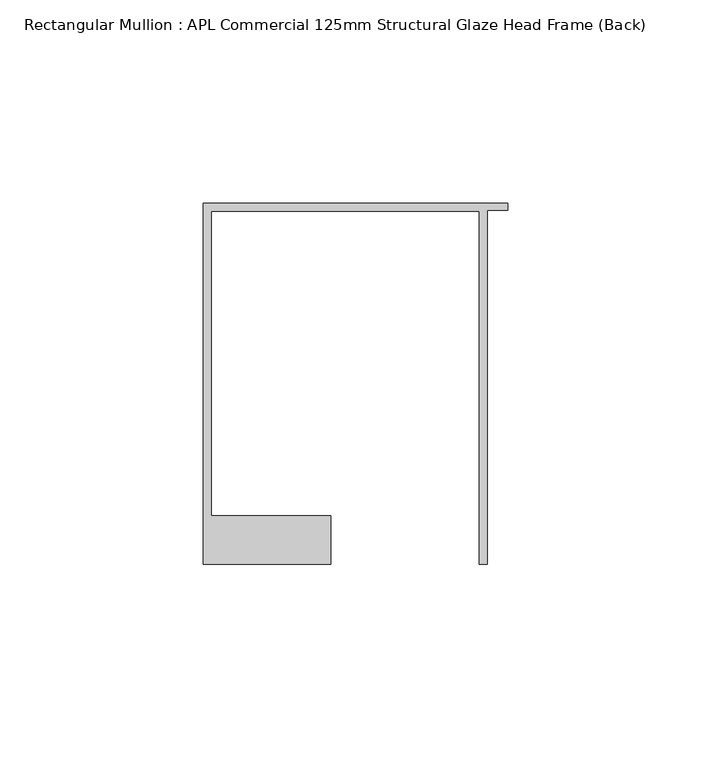
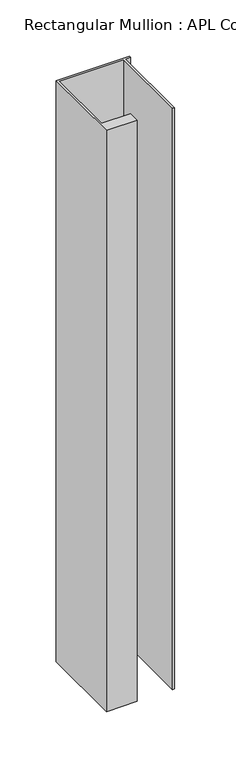
"""IFC4 building model written with IfcOpenShell, lengths in millimetres: member geometry, Rectangular Mullion : APL Commercial 125mm Structural Glaze Head Frame (Back)."""

import ifcopenshell
import ifcopenshell.guid

model = None  # the IFC model being written
_history = None  # IfcOwnerHistory: only IFC2X3 demands one
_inside = {}  # id of a spatial element -> (the spatial element, [elements in it])
_under = {}  # id of a project, library or spatial element -> (it, [spatial elements below it])
_declared = {}  # id of a project -> (the project, [libraries it declares])
_typed = {}  # id of a type object -> (the type object, [elements of that type])
_made_of = {}  # id of a material, layer set ... -> (it, [elements and type objects made of it])


def new_model(schema):
    """Start an empty IFC model of exactly this schema.

    Asked for "IFC4X3", IfcOpenShell would pick the latest addendum, in which some entities
    have other attributes; the version numbers below select the first issue.
    IFC2X3 requires an IfcOwnerHistory on every rooted entity: one is made here for all.
    """
    global model, _history
    if schema == "IFC4X3":
        model = ifcopenshell.file(schema_version=(4, 3, 0, 0))
    else:
        model = ifcopenshell.file(schema=schema)
    _inside.clear()
    _under.clear()
    _declared.clear()
    _typed.clear()
    _made_of.clear()
    _history = None
    if model.schema == "IFC2X3":
        org = make("IfcOrganization", Name="unknown")
        user = make(
            "IfcPersonAndOrganization",
            ThePerson=make("IfcPerson", FamilyName="unknown"),
            TheOrganization=org,
        )
        app = make(
            "IfcApplication",
            ApplicationDeveloper=org,
            Version="unknown",
            ApplicationFullName="unknown",
            ApplicationIdentifier="unknown",
        )
        _history = make(
            "IfcOwnerHistory",
            OwningUser=user,
            OwningApplication=app,
            ChangeAction="ADDED",
            CreationDate=0,
        )
    return model


def make(cls, **values):
    """One entity of the class cls with the attributes given. An attribute that is None is left unset."""
    return model.create_entity(
        cls, **{name: value for name, value in values.items() if value is not None}
    )


def rooted(cls, **values):
    """An entity with a GlobalId (a new one), such as an element, a storey or a relation."""
    return make(cls, GlobalId=ifcopenshell.guid.new(), OwnerHistory=_history, **values)


def si_unit(unit_type, name, prefix=None):
    """IfcSIUnit, for example si_unit("LENGTHUNIT", "METRE", prefix="MILLI")."""
    return make("IfcSIUnit", UnitType=unit_type, Prefix=prefix, Name=name)


def assignment(units):
    """IfcUnitAssignment: the units of a project."""
    return None if units is None else make("IfcUnitAssignment", Units=units)


def point(xyz):
    """IfcCartesianPoint."""
    return None if xyz is None else make("IfcCartesianPoint", Coordinates=xyz)


def direction(xyz):
    """IfcDirection."""
    return None if xyz is None else make("IfcDirection", DirectionRatios=xyz)


def frame(location, z_axis=None, x_axis=None):
    """IfcAxis2Placement3D, a coordinate frame: its origin and axes. An axis left out is left unset."""
    return make(
        "IfcAxis2Placement3D",
        Location=point(location),
        Axis=direction(z_axis),
        RefDirection=direction(x_axis),
    )


def origin():
    """The frame at (0, 0, 0) with its axes left unset."""
    return frame((0.0, 0.0, 0.0))


def place(relative_to, where):
    """IfcLocalPlacement: puts the frame where relative to a parent placement (None: the world)."""
    return make(
        "IfcLocalPlacement", PlacementRelTo=relative_to, RelativePlacement=where
    )


def context(
    kind, dimensions, precision=None, world=None, true_north=None, identifier=None
):
    """IfcGeometricRepresentationContext, for example the 3D "Model" context."""
    return make(
        "IfcGeometricRepresentationContext",
        ContextIdentifier=identifier,
        ContextType=kind,
        CoordinateSpaceDimension=dimensions,
        Precision=precision,
        WorldCoordinateSystem=world,
        TrueNorth=true_north,
    )


def project(units=None, contexts=None):
    """IfcProject with its units and contexts."""
    return rooted(
        "IfcProject",
        Name="project",
        RepresentationContexts=contexts,
        UnitsInContext=assignment(units),
    )


def spatial(cls, under=None, at=None, **own):
    """A site, building, storey or space (cls), placed at a placement, below another one or the project."""
    s = rooted(cls, ObjectPlacement=at, **own)
    if under is not None:
        _under.setdefault(under.id(), (under, []))[1].append(s)
    return s


def polyline(points):
    """IfcPolyline through the points."""
    return make("IfcPolyline", Points=[point(p) for p in points])


def outline(outer, holes=None, kind="AREA"):
    """IfcArbitraryClosedProfileDef: a profile drawn as a closed curve; with holes, ...WithVoids."""
    if holes is None:
        return make("IfcArbitraryClosedProfileDef", ProfileType=kind, OuterCurve=outer)
    return make(
        "IfcArbitraryProfileDefWithVoids",
        ProfileType=kind,
        OuterCurve=outer,
        InnerCurves=holes,
    )


def extrude(swept, where, along, depth):
    """IfcExtrudedAreaSolid: the profile swept, set in the frame where, extruded along a direction by depth."""
    return make(
        "IfcExtrudedAreaSolid",
        SweptArea=swept,
        Position=where,
        ExtrudedDirection=direction(along),
        Depth=depth,
    )


def shape(context_of_items, identifier, shape_type, items):
    """IfcShapeRepresentation: the items that make up one representation, for example the "Body"."""
    return make(
        "IfcShapeRepresentation",
        ContextOfItems=context_of_items,
        RepresentationIdentifier=identifier,
        RepresentationType=shape_type,
        Items=items,
    )


def source(mapping_origin, context_of_items, identifier, shape_type, items):
    """IfcRepresentationMap: a shape defined once, which mapped items show again and again."""
    return make(
        "IfcRepresentationMap",
        MappingOrigin=mapping_origin,
        MappedRepresentation=shape(context_of_items, identifier, shape_type, items),
    )


def transform(
    local_origin,
    x_axis=None,
    y_axis=None,
    z_axis=None,
    scale=None,
    scale2=None,
    scale3=None,
    uniform=True,
):
    """IfcCartesianTransformationOperator3D, or its non-uniform kind. x_axis, y_axis, z_axis: its Axis1, 2, 3."""
    if uniform:
        return make(
            "IfcCartesianTransformationOperator3D",
            Axis1=direction(x_axis),
            Axis2=direction(y_axis),
            LocalOrigin=point(local_origin),
            Scale=scale,
            Axis3=direction(z_axis),
        )
    return make(
        "IfcCartesianTransformationOperator3DnonUniform",
        Axis1=direction(x_axis),
        Axis2=direction(y_axis),
        LocalOrigin=point(local_origin),
        Scale=scale,
        Axis3=direction(z_axis),
        Scale2=scale2,
        Scale3=scale3,
    )


def mapped(mapping_source, mapping_target):
    """IfcMappedItem: shows the shape of a source again, moved by a transform."""
    return make(
        "IfcMappedItem", MappingSource=mapping_source, MappingTarget=mapping_target
    )


def made_of(thing, what):
    """Note that an element or type object is made of a material, layer set ...; save() writes the relation."""
    if what is not None:
        _made_of.setdefault(what.id(), (what, []))[1].append(thing)
    return thing


def element(
    cls,
    number,
    at=None,
    inside=None,
    cuts=None,
    type_object=None,
    material=None,
    context=None,
    identifier="Body",
    shape_type=None,
    held_by="IfcProductDefinitionShape",
    body=None,
    shapes=None,
    **own,
):
    """One element of the class cls, such as IfcWall. Its Tag is "e" and its number.

    at: its placement. inside: the storey or other place that contains it. cuts: it is an
    opening in that element (IfcRelVoidsElement). A single representation is given by context,
    identifier, shape_type and body (its items); several are given by shapes. held_by: the class
    of the entity that holds the representations. save() writes the other relations.
    """
    e = rooted(cls, Tag="e%d" % number, ObjectPlacement=at, **own)
    if body is not None:
        shapes = [shape(context, identifier, shape_type, body)]
    if shapes is not None:
        e.Representation = make(held_by, Representations=shapes)
    if inside is not None:
        _inside.setdefault(inside.id(), (inside, []))[1].append(e)
    if cuts is not None:
        rooted(
            "IfcRelVoidsElement", RelatingBuildingElement=cuts, RelatedOpeningElement=e
        )
    if type_object is not None:
        _typed.setdefault(type_object.id(), (type_object, []))[1].append(e)
    return made_of(e, material)


def aggregate(whole, parts):
    """IfcRelAggregates: a whole, such as a stair, and the parts it consists of."""
    return rooted("IfcRelAggregates", RelatingObject=whole, RelatedObjects=parts)


def save(model, path):
    """Write the relations noted so far, then the file.

    IfcRelAggregates (storeys below a building ...), IfcRelContainedInSpatialStructure (elements
    in a storey), IfcRelDefinesByType, IfcRelAssociatesMaterial and IfcRelDeclares: one each for
    every whole, place, type object, material and project.
    """
    for whole, parts in _under.values():
        aggregate(whole, parts)
    for where, things in _inside.values():
        rooted(
            "IfcRelContainedInSpatialStructure",
            RelatedElements=things,
            RelatingStructure=where,
        )
    for kind, things in _typed.values():
        rooted("IfcRelDefinesByType", RelatedObjects=things, RelatingType=kind)
    for what, things in _made_of.values():
        rooted("IfcRelAssociatesMaterial", RelatedObjects=things, RelatingMaterial=what)
    for by, libraries in _declared.values():
        rooted("IfcRelDeclares", RelatingContext=by, RelatedDefinitions=libraries)
    model.write(path)


def rectangular_mullion_apl_commercial_125mm_structural_glaze_9133d1d7(model_context):
    return source(origin(), model_context, "Body", "SweptSolid", [
        extrude(outline(polyline([(-75.0, 103.9993063), (0.0, 103.9993063), (0.0, 102.1993063), (-5.0, 102.1993063), (-5.0, 14.9998342), (-7.0, 14.9998342), (-7.0, 101.9993063), (-73.0, 101.9993063), (-73.0, 26.9997514), (-43.5000151, 26.9997514), (-43.5000151, 14.9998342), (-75.0, 14.9998342), (-75.0, 103.9993063)])), frame((0.0, 0.0, -629.1971776), z_axis=(0.0, 0.0, 1.0), x_axis=(1.0, 0.0, 0.0)), (0.0, 0.0, 1.0), 629.1971776),
    ])


if __name__ == "__main__":
    model = new_model("IFC4")
    model_context = context("Model", 3, world=origin())
    ifc_project = project(units=[si_unit("LENGTHUNIT", "METRE", prefix="MILLI")], contexts=[model_context])
    site = spatial("IfcSite", under=ifc_project)
    building = spatial("IfcBuilding", under=site)
    placement = place(None, origin())
    rectangular_mullion_apl_commercial_125mm_structural_glaze_shape = rectangular_mullion_apl_commercial_125mm_structural_glaze_9133d1d7(model_context)
    element("IfcMember", 1, ObjectType="Rectangular Mullion : APL Commercial 125mm Structural Glaze Head Frame (Back)", at=placement, inside=building, context=model_context, shape_type="MappedRepresentation", body=[
        mapped(rectangular_mullion_apl_commercial_125mm_structural_glaze_shape, transform((0.0, 0.0, 0.0), x_axis=(1.0, 0.0, 0.0), y_axis=(0.0, 1.0, 0.0), z_axis=(0.0, 0.0, 1.0))),
    ])
    save(model, "model.ifc")
